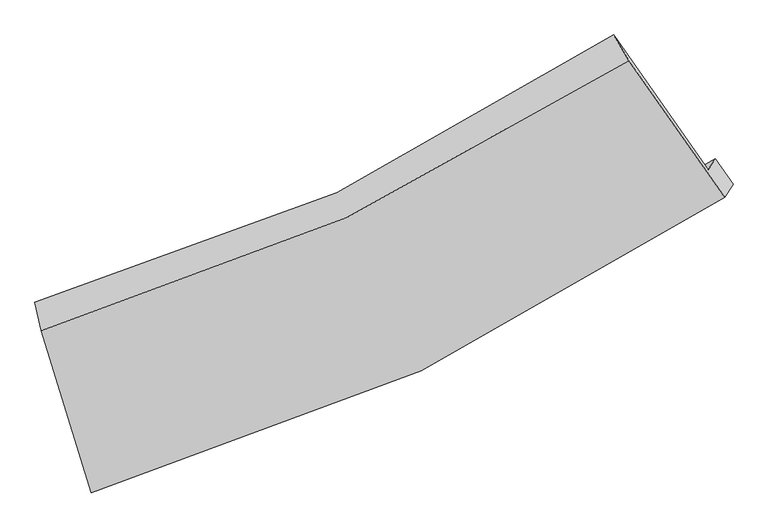
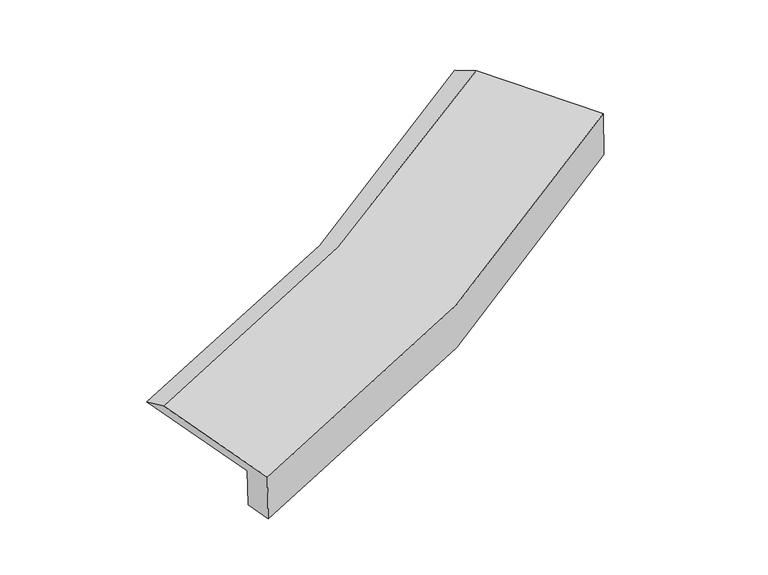
"""IFC4 building model written with IfcOpenShell, lengths in millimetres: proxy geometry."""

from ifc_helpers import new_model, si_unit, frame, origin, place, context, project, spatial, source, transform, mapped, element, save
from ifc_brep_helpers import plane_surface, spline_curve, spline_surface, advanced_brep


def generic_models_1bf9d61a(model_context):
    return source(origin(), model_context, "Body", "AdvancedBrep", [
        advanced_brep(
        [(-2865.2021308, -3236.387598, 895.1183562), (-2933.318356, -3340.3113882, 1462.0033059), (3131.9708011, -533.5504368, 2707.6038051), (3200.085497, -429.6289798, 2140.7315826), (-3400.9326238, -1822.1131278, 1684.1379715), (2214.3026474, 773.0548648, 2836.8703954), (-3338.118493, -2097.7076374, 1772.1247307), (2359.9493352, 524.221789, 2931.3477199), (-2854.6436466, -3667.4002696, 1542.4556836), (3289.9468607, -799.9384669, 2800.3443624), (-2771.5125544, -3540.5685472, 850.6122234), (3372.1169701, -674.5728998, 2116.4985068)],
        [
            (0, 1),
            (1, 2, spline_curve(3, [(-2933.318356, -3340.3113882, 1462.0033059), (-1835.615304385, -3044.121327362, 1643.14708807), (-780.575726764, -2661.612771352, 1837.708239655), (1240.912683965, -1725.470120579, 2252.994778947), (2207.636158477, -1172.391692626, 2473.633794183), (3131.9708011, -533.5504368, 2707.6038051)], [4, 2, 4], [0.0, 11.218265303628188, 22.400364060838665])),
            (2, 3),
            (3, 0, spline_curve(3, [(3200.085497, -429.6289798, 2140.7315826), (2276.554729493, -1067.243776325, 1900.071464755), (1310.23396879, -1619.707790802, 1676.080938416), (-711.251332769, -2555.845698671, 1260.768525211), (-1766.693114507, -2938.967890014, 1069.554642938), (-2865.2021308, -3236.387598, 895.1183562)], [4, 2, 4], [0.0, 11.182098757210477, 22.400364060838665])),
            (1, 4),
            (4, 5, spline_curve(3, [(-3400.9326238, -1822.1131278, 1684.1379715), (-2386.354143494, -1545.241947862, 1851.75198301), (-1410.435440964, -1190.066967466, 2031.79515493), (461.060781112, -324.506896838, 2416.119307647), (1356.887168953, 185.374120332, 2620.320277037), (2214.3026474, 773.0548648, 2836.8703954)], [4, 2, 4], [0.0, 10.799928705179116, 21.565039538588213])),
            (5, 2),
            (4, 6),
            (6, 7, spline_curve(3, [(-3338.118493, -2097.7076374, 1772.1247307), (-2316.280000835, -1804.849943171, 1943.317064729), (-1329.812132529, -1439.45728414, 2125.689137414), (569.316114942, -565.013872178, 2512.168768631), (1482.20418955, -56.430055357, 2716.204359322), (2359.9493352, 524.221789, 2931.3477199)], [4, 2, 4], [0.0, 10.45043629526398, 20.86718144674339])),
            (7, 5),
            (6, 8),
            (8, 9, spline_curve(3, [(-2854.6436466, -3667.4002696, 1542.4556836), (-1744.485525881, -3357.47722826, 1727.388892563), (-676.598666047, -2963.038517199, 1924.86902238), (1371.326052861, -2006.673854616, 2344.246018168), (2351.636028433, -1445.291965152, 2566.062114708), (3289.9468607, -799.9384669, 2800.3443624)], [4, 2, 4], [0.0, 10.946577620648544, 21.857864588338096])),
            (9, 7),
            (8, 10),
            (10, 11, spline_curve(3, [(-2771.5125544, -3540.5685472, 850.6122234), (-1660.574236736, -3229.455172088, 1029.052382281), (-592.378248527, -2834.544829128, 1223.95985001), (1455.223110223, -1878.673511955, 1646.02795081), (2434.903629992, -1318.251972299, 1873.082578068), (3372.1169701, -674.5728998, 2116.4985068)], [4, 2, 4], [0.0, 11.376947548815036, 22.717216975792198])),
            (11, 9),
            (10, 0),
            (3, 11),
        ],
        [
            spline_surface(3, 3, [[(-2865.2021308, -3236.387598, 895.1183562), (-1766.693114413, -2938.967890071, 1069.55464294), (-711.251332714, -2555.845698485, 1260.768525335), (1310.233968735, -1619.707790988, 1676.080938292), (2276.55472964, -1067.243776505, 1900.071464676), (3200.085497, -429.6289798, 2140.7315826)], [(-2887.907539224, -3271.028861403, 1084.080006117), (-1789.667177747, -2974.019035796, 1260.752124697), (-734.359464007, -2591.101389461, 1453.0817634), (1287.126873755, -1654.961900879, 1868.385551834), (2253.58187254, -1102.293081897, 2091.258907764), (3177.380598342, -464.269465461, 2329.68899008)], [(-2910.612947576, -3305.670124797, 1273.041655983), (-1812.64124101, -3009.070181511, 1451.949606405), (-757.4675953, -2626.357080366, 1645.395001542), (1264.019778775, -1690.216010698, 2060.690165453), (2230.609015514, -1137.342387306, 2282.446350913), (3154.675699758, -498.909951139, 2518.64639762)], [(-2933.318356, -3340.3113882, 1462.0033059), (-1835.615304344, -3044.121327235, 1643.147088162), (-780.575726593, -2661.612771341, 1837.708239607), (1240.912683794, -1725.47012059, 2252.994778994), (2207.636158414, -1172.391692698, 2473.633794001), (3131.9708011, -533.5504368, 2707.6038051)]], [4, 4], [4, 2, 4], [0.0, 1.9377417935637036], [0.0, 11.218265303628188, 22.400364060838665]),
            spline_surface(3, 3, [[(-2933.318356, -3340.3113882, 1462.0033059), (-1835.615304344, -3044.121327235, 1643.147088162), (-780.575726593, -2661.612771341, 1837.708239607), (1240.912683794, -1725.47012059, 2252.994778994), (2207.636158414, -1172.391692698, 2473.633794001), (3131.9708011, -533.5504368, 2707.6038051)], [(-3089.189778573, -2834.245301392, 1536.048194413), (-2019.194917336, -2544.494867482, 1712.682053113), (-990.528964688, -2171.097503393, 1902.403878033), (980.962049506, -1258.482379341, 2307.369621898), (1924.053161902, -719.803088405, 2522.529288408), (2826.081416546, -98.015336274, 2750.692668546)], [(-3245.061201227, -2328.179214608, 1610.093082987), (-2202.774530409, -2044.868407753, 1782.217018125), (-1200.482202735, -1680.582235427, 1967.099516452), (721.011415267, -791.494638074, 2361.744464795), (1640.470165354, -267.214484092, 2571.424782777), (2520.192031954, 337.519764274, 2793.781531954)], [(-3400.9326238, -1822.1131278, 1684.1379715), (-2386.354143401, -1545.241948, 1851.751983077), (-1410.435440831, -1190.066967479, 2031.795154878), (461.060780979, -324.506896826, 2416.119307699), (1356.887168842, 185.374120201, 2620.320277185), (2214.3026474, 773.0548648, 2836.8703954)]], [4, 4], [4, 2, 4], [0.0, 5.281594262179241], [0.0, 10.799928705179116, 21.565039538588213]),
            spline_surface(3, 3, [[(-3400.9326238, -1822.1131278, 1684.1379715), (-2386.354143401, -1545.241948, 1851.751983077), (-1410.435440831, -1190.066967479, 2031.795154878), (461.060780979, -324.506896826, 2416.119307699), (1356.887168842, 185.374120201, 2620.320277185), (2214.3026474, 773.0548648, 2836.8703954)], [(-3379.994580199, -1913.977964358, 1713.466891242), (-2362.996095894, -1631.777946371, 1882.273676916), (-1383.561004763, -1273.197073068, 2063.093149003), (497.145892367, -404.675888535, 2448.135794729), (1398.659509119, 104.772728365, 2652.281637844), (2262.85154335, 690.110506206, 2868.362836887)], [(-3359.056536601, -2005.842800842, 1742.795810958), (-2339.63804839, -1718.313944666, 1912.79537073), (-1356.686568746, -1356.327178717, 2094.391143129), (533.231003703, -484.844880303, 2480.15228176), (1440.431849346, 24.171336512, 2684.242998542), (2311.40043925, 607.166147594, 2899.855278413)], [(-3338.118493, -2097.7076374, 1772.1247307), (-2316.280000882, -1804.849943038, 1943.317064569), (-1329.812132678, -1439.457284306, 2125.689137254), (569.316115091, -565.013872013, 2512.168768791), (1482.204189622, -56.430055325, 2716.204359202), (2359.9493352, 524.221789, 2931.3477199)]], [4, 4], [4, 2, 4], [0.0, 0.9159140106526946], [0.0, 10.45043629526398, 20.86718144674339]),
            spline_surface(3, 3, [[(-3338.118493, -2097.7076374, 1772.1247307), (-2316.280000882, -1804.849943038, 1943.317064569), (-1329.812132678, -1439.457284306, 2125.689137254), (569.316115091, -565.013872013, 2512.168768791), (1482.204189622, -56.430055325, 2716.204359202), (2359.9493352, 524.221789, 2931.3477199)], [(-3176.960210871, -2620.938514793, 1695.568381652), (-2125.681842586, -2322.392371467, 1871.341007192), (-1112.074310427, -1947.317695243, 2058.749098948), (836.652760959, -1045.567199605, 2456.194518598), (1772.014802546, -519.384025274, 2666.156944349), (2669.948510359, 82.835037012, 2887.679934088)], [(-3015.801928729, -3144.169392207, 1619.012032648), (-1935.083684276, -2839.934799918, 1799.364949859), (-894.336488154, -2455.178106135, 1991.809060642), (1103.989406849, -1526.120527152, 2400.220268405), (2061.825415491, -982.337995158, 2616.109529433), (2979.947685541, -358.551714912, 2844.012148212)], [(-2854.6436466, -3667.4002696, 1542.4556836), (-1744.48552598, -3357.477228347, 1727.388892482), (-676.598665903, -2963.038517071, 1924.869022336), (1371.326052717, -2006.673854743, 2344.246018213), (2351.636028415, -1445.291965108, 2566.062114581), (3289.9468607, -799.9384669, 2800.3443624)]], [4, 4], [4, 2, 4], [0.0, 5.4521571332602505], [0.0, 10.946577620648544, 21.857864588338096]),
            spline_surface(3, 3, [[(-2854.6436466, -3667.4002696, 1542.4556836), (-1744.48552598, -3357.477228347, 1727.388892482), (-676.598665903, -2963.038517071, 1924.869022336), (1371.326052717, -2006.673854743, 2344.246018213), (2351.636028415, -1445.291965108, 2566.062114581), (3289.9468607, -799.9384669, 2800.3443624)], [(-2826.933282556, -3625.12302878, 1311.841196874), (-1716.515096201, -3314.803209569, 1494.610055777), (-648.525193433, -2920.207287775, 1691.232631493), (1399.29173851, -1964.007073784, 2111.506662468), (2379.391895661, -1402.945300811, 2335.0689357), (3317.336897176, -758.149944515, 2572.395743853)], [(-2799.222918444, -3582.84578802, 1081.226710126), (-1688.544666356, -3272.12919085, 1261.831219051), (-620.451720917, -2877.376058496, 1457.596240667), (1427.25742435, -1921.340292842, 1878.76730674), (2407.147762878, -1360.59863657, 2104.07575686), (3344.726933624, -716.361422185, 2344.447125347)], [(-2771.5125544, -3540.5685472, 850.6122234), (-1660.574236577, -3229.455172072, 1029.052382346), (-592.378248447, -2834.5448292, 1223.959849824), (1455.223110143, -1878.673511883, 1646.027950995), (2434.903630124, -1318.251972273, 1873.082577979), (3372.1169701, -674.5728998, 2116.4985068)]], [4, 4], [4, 2, 4], [0.0, 2.3496603730297685], [0.0, 11.376947548815036, 22.717216975792198]),
            spline_surface(3, 3, [[(-2771.5125544, -3540.5685472, 850.6122234), (-1660.574236577, -3229.455172072, 1029.052382346), (-592.378248447, -2834.5448292, 1223.959849824), (1455.223110143, -1878.673511883, 1646.027950995), (2434.903630124, -1318.251972273, 1873.082577979), (3372.1169701, -674.5728998, 2116.4985068)], [(-2802.742413177, -3439.174897474, 865.447601003), (-1695.947195833, -3132.626078078, 1042.55313588), (-632.002609847, -2741.645118943, 1236.229408356), (1406.893396362, -1792.351604899, 1656.045613456), (2382.12066329, -1234.582573685, 1882.078873557), (3314.773145727, -592.924926467, 2124.576198746)], [(-2833.972272023, -3337.781247726, 880.282978597), (-1731.320155157, -3035.796984064, 1056.053889406), (-671.626971314, -2648.745408743, 1248.498966803), (1358.563682516, -1706.029697972, 1666.063275832), (2329.337696474, -1150.913175094, 1891.075169098), (3257.429321373, -511.276953133, 2132.653890654)], [(-2865.2021308, -3236.387598, 895.1183562), (-1766.693114413, -2938.967890071, 1069.55464294), (-711.251332714, -2555.845698485, 1260.768525335), (1310.233968735, -1619.707790988, 1676.080938292), (2276.55472964, -1067.243776505, 1900.071464676), (3200.085497, -429.6289798, 2140.7315826)]], [4, 4], [4, 2, 4], [0.0, 0.9886225011968937], [0.0, 11.29767686188473, 22.558931162564253]),
            plane_surface(frame((2928.0620186, -190.0690216, 2588.8993954), z_axis=(0.8112010869204801, 0.5501103137965839, 0.19832155514128003), x_axis=(0.11737226500969204, 0.17907290952474259, -0.9768094207576205))),
            plane_surface(frame((-3027.2879674, -2950.7480947, 1367.7420452), z_axis=(-0.9493354608998237, -0.26850859800902677, -0.16329517896541398), x_axis=(0.2915234708983384, -0.946486146686559, -0.1384848007754477))),
        ],
        [
            (0, [[1, 2, 3, 4]]),
            (1, [[5, 6, 7, -2]]),
            (2, [[8, 9, 10, -6]]),
            (3, [[11, 12, 13, -9]]),
            (4, [[14, 15, 16, -12]]),
            (5, [[17, -4, 18, -15]]),
            (6, [[-16, -18, -3, -7, -10, -13]]),
            (7, [[-17, -14, -11, -8, -5, -1]]),
        ],
    ),
    ])


if __name__ == "__main__":
    model = new_model("IFC4")
    model_context = context("Model", 3, world=origin())
    ifc_project = project(units=[si_unit("LENGTHUNIT", "METRE", prefix="MILLI")], contexts=[model_context])
    site = spatial("IfcSite", under=ifc_project)
    building = spatial("IfcBuilding", under=site)
    placement = place(None, origin())
    generic_models_shape = generic_models_1bf9d61a(model_context)
    element("IfcBuildingElementProxy", 1, Name="Generic Models", at=placement, inside=building, context=model_context, shape_type="MappedRepresentation", body=[
        mapped(generic_models_shape, transform((0.0, 0.0, 0.0), x_axis=(1.0, 0.0, 0.0), y_axis=(0.0, 1.0, 0.0), z_axis=(0.0, 0.0, 1.0))),
    ])
    save(model, "model.ifc")
